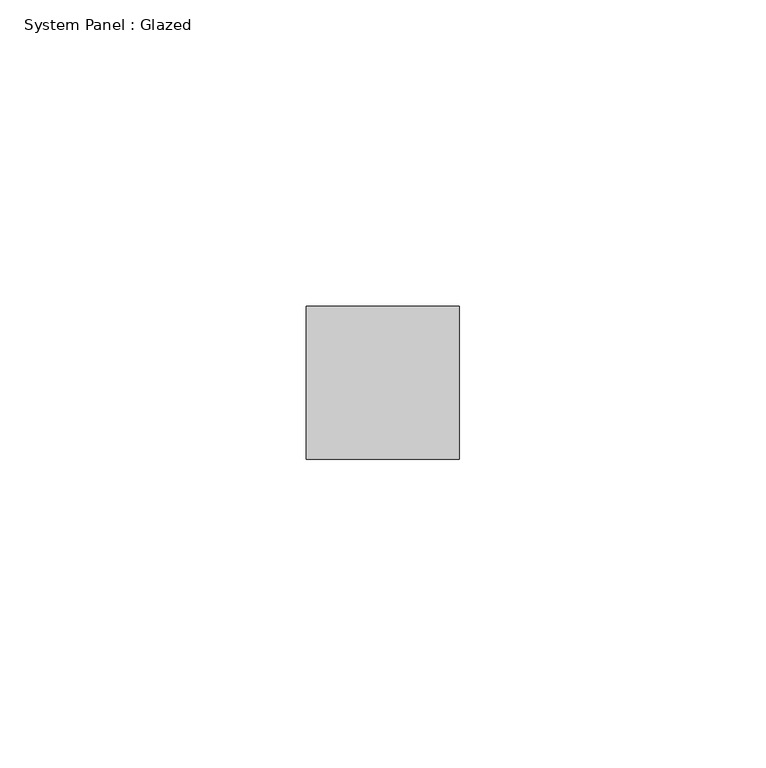
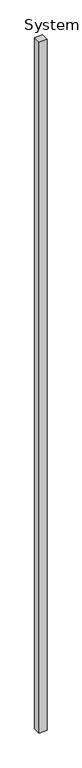
"""IFC4 building model written with IfcOpenShell, lengths in millimetres: plate geometry, System Panel : Glazed."""

from ifc_helpers import new_model, si_unit, origin, origin_with_axes, place, context, project, spatial, polyline, outline, extrude, source, transform, mapped, element, save


def system_panel_glazed_9c98ea22(model_context):
    return source(origin(), model_context, "Body", "SweptSolid", [
        extrude(outline(polyline([(12.4999998, 24.5), (-12.4999998, 24.5), (-12.4999998, 49.5), (12.4999998, 49.5), (12.4999998, 24.5)])), origin_with_axes(), (0.0, 0.0, 1.0), 2300.0),
    ])


if __name__ == "__main__":
    model = new_model("IFC4")
    model_context = context("Model", 3, world=origin())
    ifc_project = project(units=[si_unit("LENGTHUNIT", "METRE", prefix="MILLI")], contexts=[model_context])
    site = spatial("IfcSite", under=ifc_project)
    building = spatial("IfcBuilding", under=site)
    placement = place(None, origin())
    system_panel_glazed_shape = system_panel_glazed_9c98ea22(model_context)
    element("IfcPlate", 1, ObjectType="System Panel : Glazed", at=placement, inside=building, context=model_context, shape_type="MappedRepresentation", body=[
        mapped(system_panel_glazed_shape, transform((0.0, 0.0, 0.0), x_axis=(1.0, 0.0, 0.0), y_axis=(0.0, 1.0, 0.0), z_axis=(0.0, 0.0, 1.0))),
    ])
    save(model, "model.ifc")
